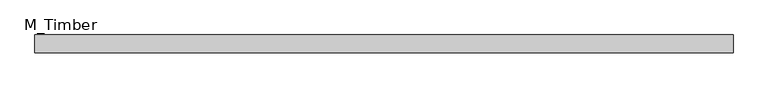
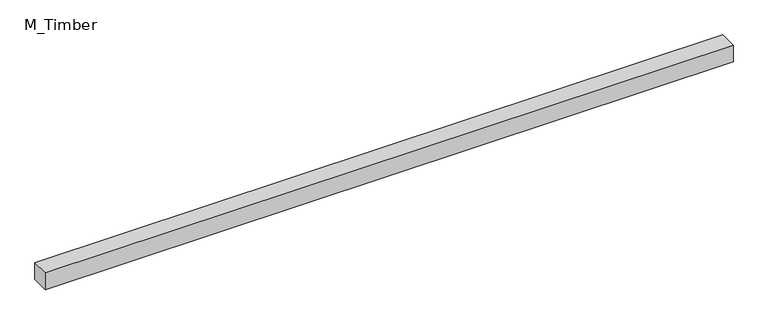
"""IFC4 building model written with IfcOpenShell, lengths in millimetres: beam geometry, M_Timber."""

from ifc_helpers import new_model, si_unit, frame, origin, place, context, project, spatial, polyline, outline, extrude, source, transform, mapped, element, save


def m_timber_4c411a94(model_context):
    return source(origin(), model_context, "Body", "SweptSolid", [
        extrude(outline(polyline([(776.6672701, 20.0), (776.6672701, -20.0), (-776.6672701, -20.0), (-776.6672701, 20.0), (776.6672701, 20.0)])), frame((0.0, 0.0, -20.0), z_axis=(0.0, 0.0, 1.0), x_axis=(1.0, 0.0, 0.0)), (0.0, 0.0, 1.0), 40.0),
    ])


if __name__ == "__main__":
    model = new_model("IFC4")
    model_context = context("Model", 3, world=origin())
    ifc_project = project(units=[si_unit("LENGTHUNIT", "METRE", prefix="MILLI")], contexts=[model_context])
    site = spatial("IfcSite", under=ifc_project)
    building = spatial("IfcBuilding", under=site)
    placement = place(None, origin())
    m_timber_shape = m_timber_4c411a94(model_context)
    element("IfcBeam", 1, ObjectType="M_Timber", at=placement, inside=building, context=model_context, shape_type="MappedRepresentation", body=[
        mapped(m_timber_shape, transform((0.0, 0.0, 0.0), x_axis=(1.0, 0.0, 0.0), y_axis=(0.0, 1.0, 0.0), z_axis=(0.0, 0.0, 1.0))),
    ])
    save(model, "model.ifc")
